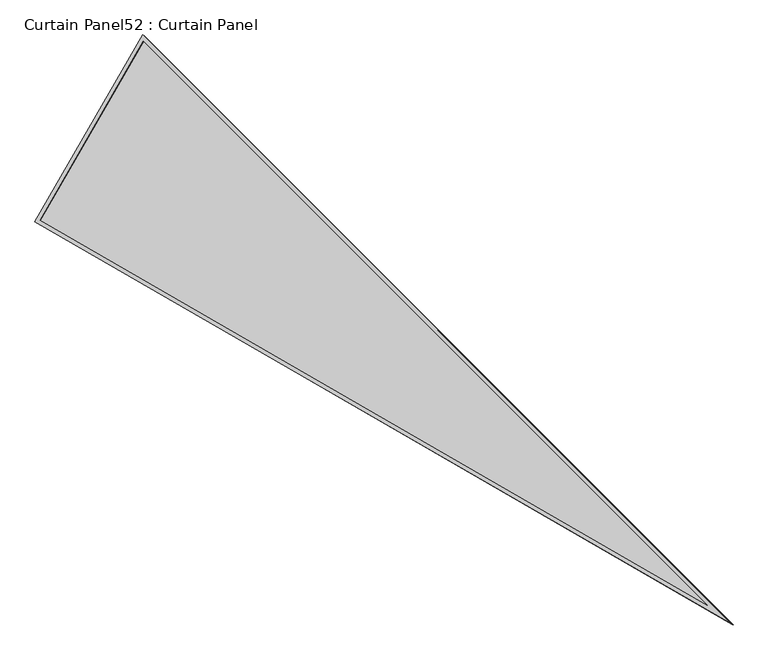
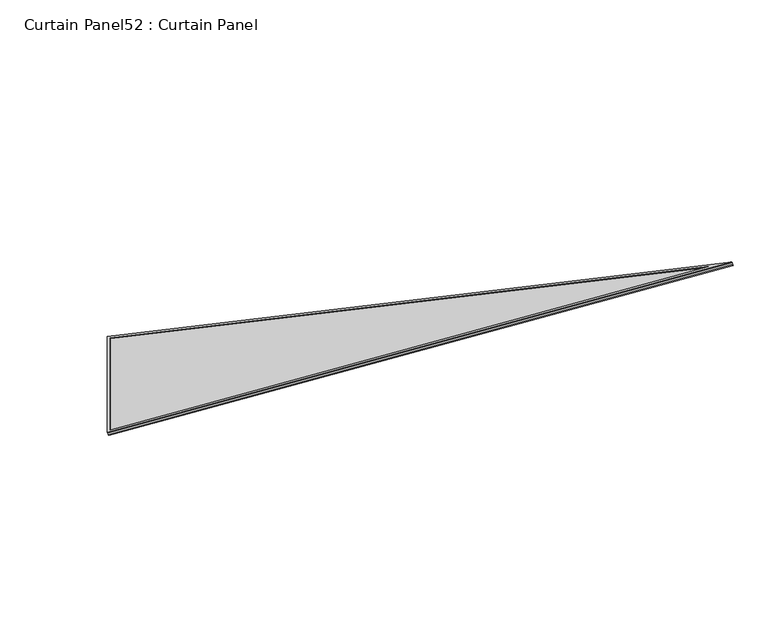
"""IFC4 building model written with IfcOpenShell, lengths in millimetres: plate geometry, Curtain Panel52 : Curtain Panel."""

from ifc_helpers import new_model, si_unit, frame, origin, place, context, project, spatial, polyline, outline, extrude, source, transform, mapped, element, save


def curtain_panel52_curtain_panel_888846c5(model_context):
    return source(origin(), model_context, "Body", "SweptSolid", [
        extrude(outline(polyline([(895.9373553, 0.0), (0.0, -3524.4506618), (0.0, 0.0), (895.9373553, 0.0)]), holes=[polyline([(874.508816, -16.6627979), (16.6627979, -16.6627979), (16.6627978, -3391.2692346), (874.508816, -16.6627979)])]), frame((6959.4699696, 5419.8846768, 898.6959229), z_axis=(-0.27379031486168176, 0.15807291198690915, 0.9487106081329123), x_axis=(0.5000000000000117, 0.8660254037844319, 0.0)), (0.0, 0.0, 1.0), 4.8362169),
        extrude(outline(polyline([(895.9373554, 1e-07), (0.0, -3524.4506618), (0.0, 0.0), (895.9373554, 1e-07)]), holes=[polyline([(882.6749851, -10.3127979), (10.3127979, -10.3127978), (10.3127979, -3442.0231397), (882.6749851, -10.3127979)])]), frame((6964.29485, 5417.0990308, 881.9772337), z_axis=(-0.2737903148616823, 0.1580729119869091, 0.9487106081329121), x_axis=(0.5000000000000113, 0.8660254037844322, 0.0)), (0.0, 0.0, 1.0), 4.7776723),
        extrude(outline(polyline([(12.7000001, 0.0), (908.6373554, 0.0), (12.7, -3524.4506618), (12.7000001, 0.0)])), frame((6956.6367695, 5406.8557287, 886.5098621), z_axis=(-0.2737903148616767, 0.1580729119869062, 0.9487106081329141), x_axis=(0.5000000000000117, 0.866025403784432, 0.0)), (0.0, 0.0, 1.0), 12.8448662),
    ])


if __name__ == "__main__":
    model = new_model("IFC4")
    model_context = context("Model", 3, world=origin())
    ifc_project = project(units=[si_unit("LENGTHUNIT", "METRE", prefix="MILLI")], contexts=[model_context])
    site = spatial("IfcSite", under=ifc_project)
    building = spatial("IfcBuilding", under=site)
    placement = place(None, origin())
    curtain_panel52_curtain_panel_shape = curtain_panel52_curtain_panel_888846c5(model_context)
    element("IfcPlate", 1, ObjectType="Curtain Panel52 : Curtain Panel", at=placement, inside=building, context=model_context, shape_type="MappedRepresentation", body=[
        mapped(curtain_panel52_curtain_panel_shape, transform((0.0, 0.0, 0.0), x_axis=(1.0, 0.0, 0.0), y_axis=(0.0, 1.0, 0.0), z_axis=(0.0, 0.0, 1.0))),
    ])
    save(model, "model.ifc")
